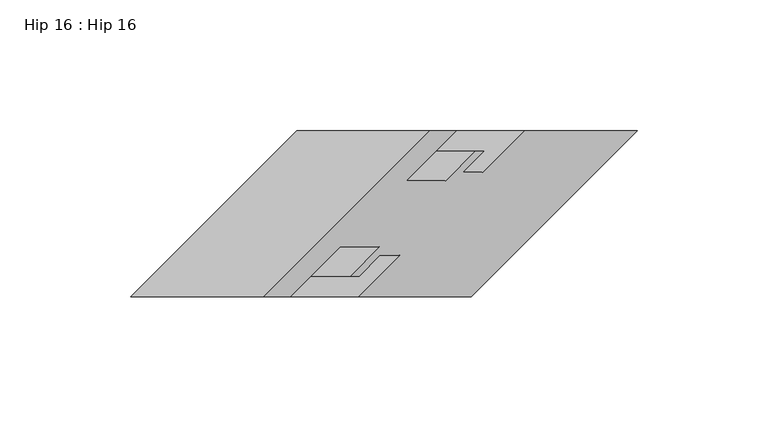
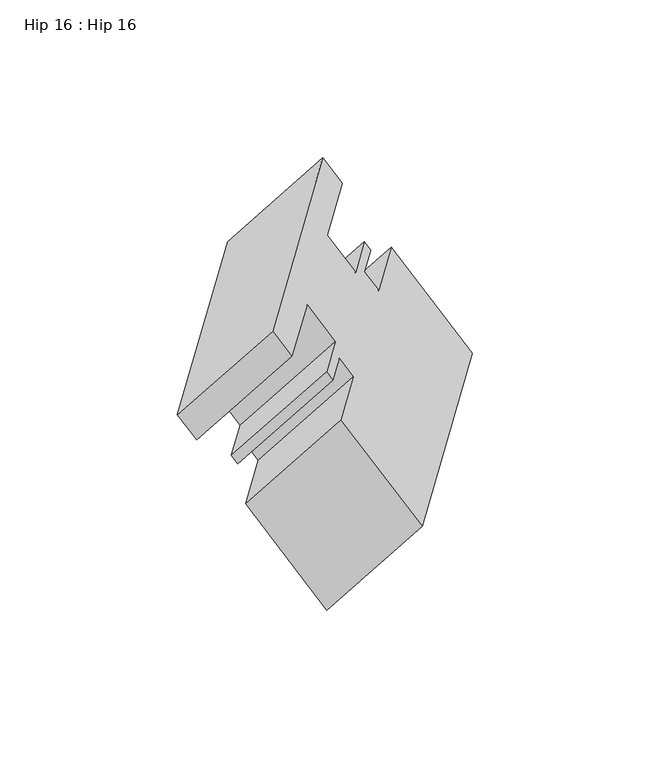
"""IFC4 building model written with IfcOpenShell, lengths in millimetres: proxy geometry, Hip 16 : Hip 16."""

from ifc_helpers import new_model, si_unit, origin, place, context, project, spatial, faceted_brep, source, transform, mapped, element, save


def hip_16_hip_16_ebad6555(model_context):
    return source(origin(), model_context, "Body", "Brep", [
        faceted_brep([(-9595.4979707, 7326.2039257, 1387.4804037), (-9646.1654512, 7326.2039257, 1358.2275203), (-9709.6654512, 7262.7039257, 1321.5657782), (-9658.9979707, 7262.7039257, 1350.8186617), (-9585.1792207, 7326.2039257, 1369.6078045), (-9635.8467012, 7326.2039257, 1340.354921), (-9604.2101707, 7307.1539257, 1358.5762863), (-9654.8776512, 7307.1539257, 1329.3234028), (-9589.1479707, 7307.1539257, 1332.4877906), (-9639.8154512, 7307.1539257, 1303.2349071), (-9578.0227707, 7318.2791257, 1338.9109278), (-9628.6902512, 7318.2791257, 1309.6580443), (-9574.7068801, 7318.2791257, 1333.1676368), (-9625.3743606, 7318.2791257, 1303.9147533), (-9582.6570801, 7310.3289257, 1328.5775867), (-9633.3245606, 7310.3289257, 1299.3247032), (-9575.0763707, 7310.3289257, 1315.4474129), (-9625.7438512, 7310.3289257, 1286.1945294), (-9559.2013707, 7326.2039257, 1324.6128484), (-9609.8688512, 7326.2039257, 1295.3599649), (-9515.9324707, 7326.2039257, 1249.6689152), (-9566.5999512, 7326.2039257, 1220.4160317), (-9579.4324707, 7262.7039257, 1213.0071731), (-9630.0999512, 7262.7039257, 1183.7542896), (-9622.7013707, 7262.7039257, 1287.9511063), (-9673.3688512, 7262.7039257, 1258.6982228), (-9606.8263707, 7278.5789257, 1297.1165418), (-9657.4938512, 7278.5789257, 1267.8636584), (-9614.3574707, 7278.5789257, 1310.1607897), (-9665.0249512, 7278.5789257, 1280.9079062), (-9622.3076707, 7270.6287257, 1305.5707396), (-9672.9751512, 7270.6287257, 1276.3178561), (-9625.6667361, 7270.6287257, 1311.3888114), (-9676.3342165, 7270.6287257, 1282.1359279), (-9614.5415361, 7281.7539257, 1317.8119486), (-9665.2090165, 7281.7539257, 1288.5590651), (-9629.6101707, 7281.7539257, 1343.9115894), (-9680.2776512, 7281.7539257, 1314.658706), (-9648.6601707, 7262.7039257, 1332.9130668), (-9699.3276512, 7262.7039257, 1303.6601833)], [[[0, 1, 2, 3]], [[1, 0, 4, 5]], [[5, 4, 6, 7]], [[7, 6, 8, 9]], [[9, 8, 10, 11]], [[11, 10, 12, 13]], [[13, 12, 14, 15]], [[15, 14, 16, 17]], [[17, 16, 18, 19]], [[19, 18, 20, 21]], [[21, 20, 22, 23]], [[23, 22, 24, 25]], [[25, 24, 26, 27]], [[27, 26, 28, 29]], [[29, 28, 30, 31]], [[31, 30, 32, 33]], [[33, 32, 34, 35]], [[35, 34, 36, 37]], [[37, 36, 38, 39]], [[39, 38, 3, 2]], [[2, 1, 5, 7, 9, 11, 13, 15, 17, 19, 21, 23, 25, 27, 29, 31, 33, 35, 37, 39]], [[0, 3, 38, 36, 34, 32, 30, 28, 26, 24, 22, 20, 18, 16, 14, 12, 10, 8, 6, 4]]]),
    ])


if __name__ == "__main__":
    model = new_model("IFC4")
    model_context = context("Model", 3, world=origin())
    ifc_project = project(units=[si_unit("LENGTHUNIT", "METRE", prefix="MILLI")], contexts=[model_context])
    site = spatial("IfcSite", under=ifc_project)
    building = spatial("IfcBuilding", under=site)
    placement = place(None, origin())
    hip_16_hip_16_shape = hip_16_hip_16_ebad6555(model_context)
    element("IfcBuildingElementProxy", 1, Name="Hip 16 : Hip 16", ObjectType="Hip 16 : Hip 16", at=placement, inside=building, context=model_context, shape_type="MappedRepresentation", body=[
        mapped(hip_16_hip_16_shape, transform((0.0, 0.0, 0.0), x_axis=(1.0, 0.0, 0.0), y_axis=(0.0, 1.0, 0.0), z_axis=(0.0, 0.0, 1.0))),
    ])
    save(model, "model.ifc")
